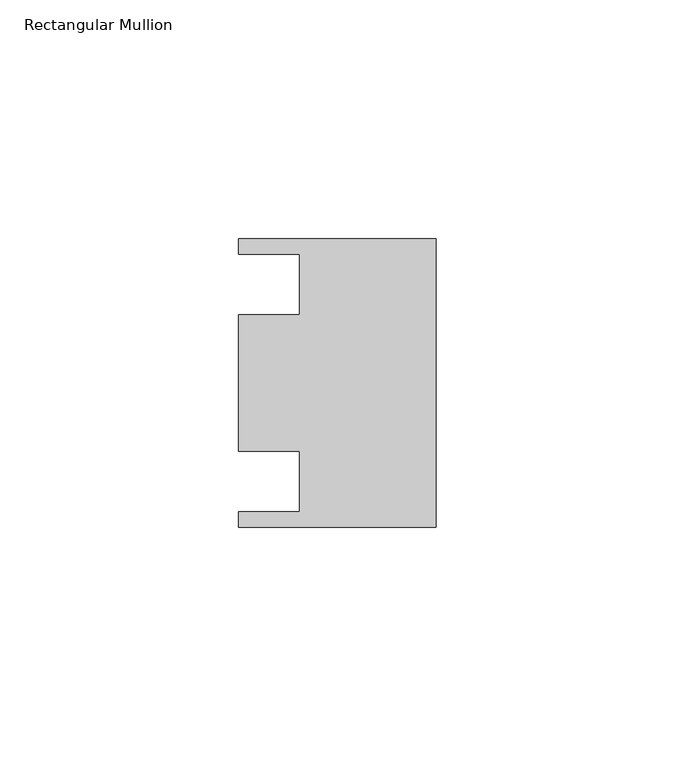
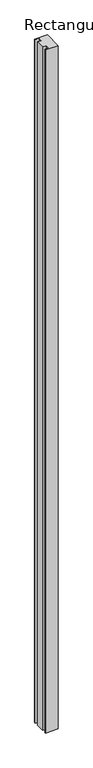
"""IFC4 building model written with IfcOpenShell, lengths in millimetres: member geometry, Rectangular Mullion."""

from ifc_helpers import new_model, si_unit, frame, origin, place, context, project, spatial, polyline, outline, extrude, source, transform, mapped, element, save


def rectangular_mullion_cf6154df(model_context):
    return source(origin(), model_context, "Body", "SweptSolid", [
        extrude(outline(polyline([(0.0, -30.1625), (-41.275, -30.1625), (-41.275, -26.9875), (-28.575, -26.9875), (-28.575, -14.2875), (-41.275, -14.2875), (-41.275, 14.2875), (-28.575, 14.2875), (-28.575, 26.9875), (-41.275, 26.9875), (-41.275, 30.1625), (0.0, 30.1625), (0.0, -30.1625)])), frame((0.0, 0.0, -2355.85), z_axis=(0.0, 0.0, 1.0), x_axis=(1.0, 0.0, 0.0)), (0.0, 0.0, 1.0), 2355.85),
    ])


if __name__ == "__main__":
    model = new_model("IFC4")
    model_context = context("Model", 3, world=origin())
    ifc_project = project(units=[si_unit("LENGTHUNIT", "METRE", prefix="MILLI")], contexts=[model_context])
    site = spatial("IfcSite", under=ifc_project)
    building = spatial("IfcBuilding", under=site)
    placement = place(None, origin())
    rectangular_mullion_shape = rectangular_mullion_cf6154df(model_context)
    element("IfcMember", 1, ObjectType="Rectangular Mullion", at=placement, inside=building, context=model_context, shape_type="MappedRepresentation", body=[
        mapped(rectangular_mullion_shape, transform((0.0, 0.0, 0.0), x_axis=(1.0, 0.0, 0.0), y_axis=(0.0, 1.0, 0.0), z_axis=(0.0, 0.0, 1.0))),
    ])
    save(model, "model.ifc")
